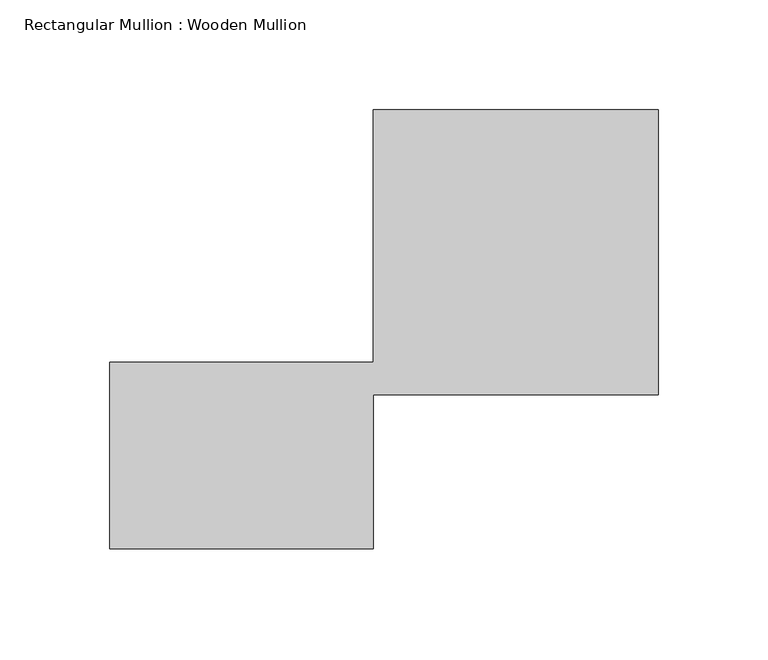
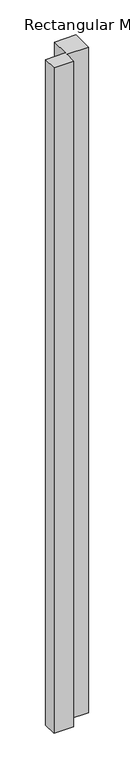
"""IFC4 building model written with IfcOpenShell, lengths in millimetres: member geometry, Rectangular Mullion : Wooden Mullion."""

from ifc_helpers import new_model, si_unit, frame, origin, place, context, project, spatial, polyline, outline, extrude, source, transform, mapped, element, save


def rectangular_mullion_wooden_mullion_4aa4c17c(model_context):
    return source(origin(), model_context, "Body", "SweptSolid", [
        extrude(outline(polyline([(74.8100006, -26.0137344), (-45.1899994, -26.0137344), (-45.1899994, 58.9862656), (74.8100006, 58.9862656), (74.8100006, 173.9862656), (204.8100006, 173.9862656), (204.8100006, 43.9862656), (74.8100006, 43.9862656), (74.8100006, -26.0137344)])), frame((0.0, 0.0, -4245.7243878), z_axis=(0.0, 0.0, 1.0), x_axis=(1.0, 0.0, 0.0)), (0.0, 0.0, 1.0), 4245.7243878),
    ])


if __name__ == "__main__":
    model = new_model("IFC4")
    model_context = context("Model", 3, world=origin())
    ifc_project = project(units=[si_unit("LENGTHUNIT", "METRE", prefix="MILLI")], contexts=[model_context])
    site = spatial("IfcSite", under=ifc_project)
    building = spatial("IfcBuilding", under=site)
    placement = place(None, origin())
    rectangular_mullion_wooden_mullion_shape = rectangular_mullion_wooden_mullion_4aa4c17c(model_context)
    element("IfcMember", 1, ObjectType="Rectangular Mullion : Wooden Mullion", at=placement, inside=building, context=model_context, shape_type="MappedRepresentation", body=[
        mapped(rectangular_mullion_wooden_mullion_shape, transform((0.0, 0.0, 0.0), x_axis=(1.0, 0.0, 0.0), y_axis=(0.0, 1.0, 0.0), z_axis=(0.0, 0.0, 1.0))),
    ])
    save(model, "model.ifc")
